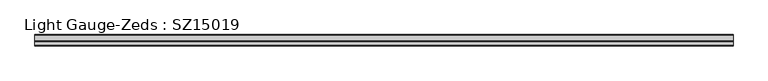
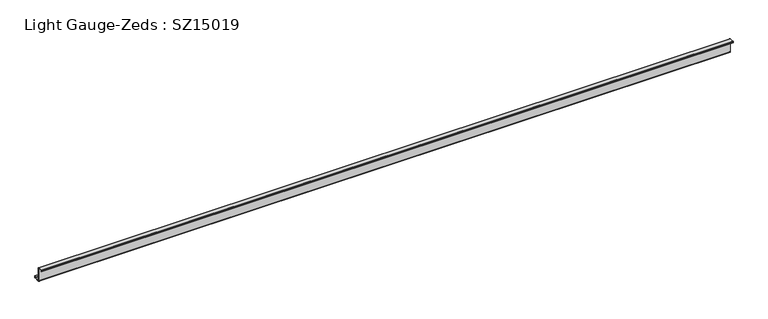
"""IFC4 building model written with IfcOpenShell, lengths in millimetres: beam geometry, Light Gauge-Zeds : SZ15019."""

from ifc_helpers import new_model, si_unit, point, frame, frame_2d, origin, place, context, project, spatial, polyline, circle_curve, trimmed, segment, composite_curve, outline, extrude, source, transform, mapped, element, save


def light_gauge_zeds_sz15019_a1a25d0b(model_context):
    return source(origin(), model_context, "Body", "SweptSolid", [
        extrude(outline(composite_curve([segment(polyline([(0.0, -72.1), (0.0, 72.1)]), True, "CONTINUOUS"), segment(trimmed(circle_curve(frame_2d((-2.0, 72.1)), 2.0), [point((0.0, 72.1))], [point((-2.0, 74.1))], True, "CARTESIAN"), True, "CONTINUOUS"), segment(polyline([(-2.0, 74.1), (-46.6, 74.1)]), True, "CONTINUOUS"), segment(trimmed(circle_curve(frame_2d((-46.6, 72.1)), 2.0), [point((-46.6, 74.1))], [point((-48.6, 72.1))], True, "CARTESIAN"), True, "CONTINUOUS"), segment(polyline([(-48.6, 72.1), (-48.6, 58.0), (-50.5, 58.0), (-50.5, 72.1)]), True, "CONTINUOUS"), segment(trimmed(circle_curve(frame_2d((-46.6, 72.1)), 3.9), [point((-50.5, 72.1))], [point((-46.6, 76.0))], False, "CARTESIAN"), True, "CONTINUOUS"), segment(polyline([(-46.6, 76.0), (-2.0, 76.0)]), True, "CONTINUOUS"), segment(trimmed(circle_curve(frame_2d((-2.0, 72.1)), 3.9), [point((-2.0, 76.0))], [point((1.9, 72.1))], False, "CARTESIAN"), True, "CONTINUOUS"), segment(polyline([(1.9, 72.1), (1.9, -72.1)]), True, "CONTINUOUS"), segment(trimmed(circle_curve(frame_2d((3.9, -72.1)), 2.0), [point((1.9, -72.1))], [point((3.9, -74.1))], True, "CARTESIAN"), True, "CONTINUOUS"), segment(polyline([(3.9, -74.1), (63.6, -74.1)]), True, "CONTINUOUS"), segment(trimmed(circle_curve(frame_2d((63.6, -72.1)), 2.0), [point((63.6, -74.1))], [point((65.6, -72.1))], True, "CARTESIAN"), True, "CONTINUOUS"), segment(polyline([(65.6, -72.1), (65.6, -57.0), (67.5, -57.0), (67.5, -72.1)]), True, "CONTINUOUS"), segment(trimmed(circle_curve(frame_2d((63.6, -72.1)), 3.9), [point((67.5, -72.1))], [point((63.6, -76.0))], False, "CARTESIAN"), True, "CONTINUOUS"), segment(polyline([(63.6, -76.0), (3.9, -76.0)]), True, "CONTINUOUS"), segment(trimmed(circle_curve(frame_2d((3.9, -72.1)), 3.9), [point((3.9, -76.0))], [point((0.0, -72.1))], False, "CARTESIAN"), True, "CONTINUOUS")], self_intersect=False)), frame((-3536.5, 0.0, 0.0), z_axis=(1.0, 0.0, 0.0), x_axis=(0.0, 1.0, 0.0)), (0.0, 0.0, 1.0), 7319.0),
    ])


if __name__ == "__main__":
    model = new_model("IFC4")
    model_context = context("Model", 3, world=origin())
    ifc_project = project(units=[si_unit("LENGTHUNIT", "METRE", prefix="MILLI")], contexts=[model_context])
    site = spatial("IfcSite", under=ifc_project)
    building = spatial("IfcBuilding", under=site)
    placement = place(None, origin())
    light_gauge_zeds_sz15019_shape = light_gauge_zeds_sz15019_a1a25d0b(model_context)
    element("IfcBeam", 1, ObjectType="Light Gauge-Zeds : SZ15019", at=placement, inside=building, context=model_context, shape_type="MappedRepresentation", body=[
        mapped(light_gauge_zeds_sz15019_shape, transform((0.0, 0.0, 0.0), x_axis=(1.0, 0.0, 0.0), y_axis=(0.0, 1.0, 0.0), z_axis=(0.0, 0.0, 1.0))),
    ])
    save(model, "model.ifc")
